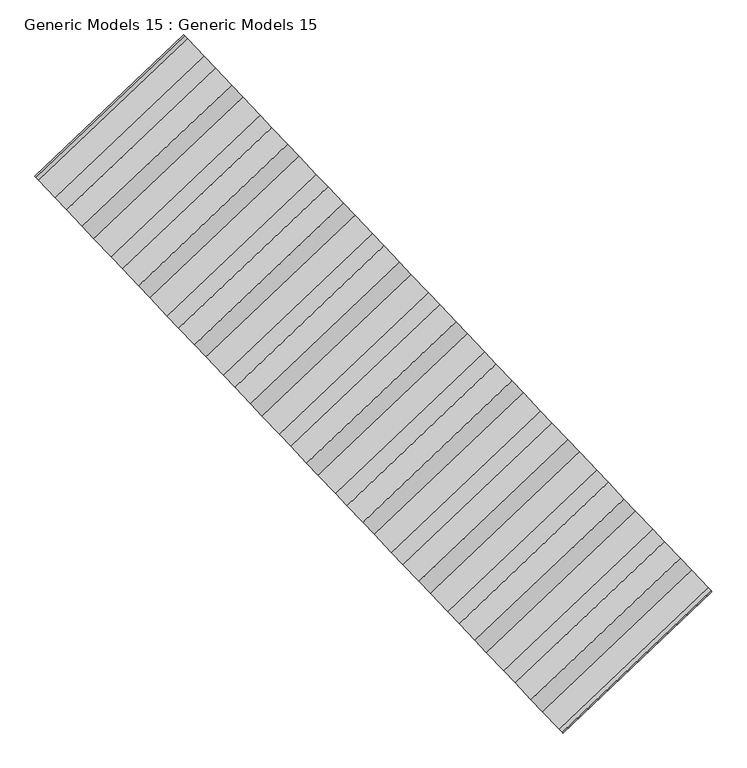
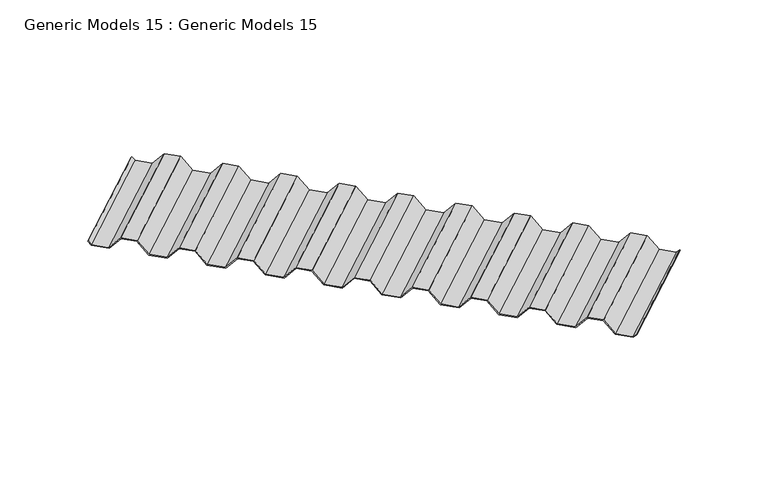
"""IFC4 building model written with IfcOpenShell, lengths in millimetres: proxy geometry, Generic Models 15 : Generic Models 15."""

from ifc_helpers import new_model, si_unit, frame, origin, place, context, project, spatial, polyline, outline, extrude, source, transform, mapped, element, save


def generic_models_15_generic_models_15_36899d16(model_context):
    return source(origin(), model_context, "Body", "SweptSolid", [
        extrude(outline(polyline([(1235.0766338, 4.7625), (1329.1360088, 4.7625), (1391.6438213, 76.2), (1477.3688213, 76.2), (1539.8766338, 4.7625), (1633.9360088, 4.7625), (1696.4438213, 76.2), (1782.1688213, 76.2), (1844.6766338, 4.7625), (1938.7360088, 4.7625), (2001.2438214, 76.2), (2086.9688213, 76.2), (2149.4766338, 4.7625), (2243.5360089, 4.7625), (2306.0438213, 76.2), (2391.7688213, 76.2), (2454.2766339, 4.7625), (2548.3360088, 4.7625), (2610.8438213, 76.2), (2696.5688213, 76.2), (2759.0766339, 4.7625), (2848.9688213, 4.7625), (2865.6375714, 23.8125), (2869.0126426, 20.4374287), (2851.1298925, 0.0), (2756.9155626, 0.0), (2694.4077501, 71.4375), (2613.0048925, 71.4375), (2550.49708, 0.0), (2452.1155626, 0.0), (2389.6077502, 71.4375), (2308.2048925, 71.4375), (2245.69708, 0.0), (2147.3155626, 0.0), (2084.8077501, 71.4375), (2003.4048925, 71.4375), (1940.8970799, 0.0), (1842.5155627, 0.0), (1780.0077502, 71.4375), (1698.6048925, 71.4375), (1636.0970801, 0.0), (1537.7155626, 0.0), (1475.2077502, 71.4375), (1393.8048924, 71.4375), (1331.29708, 0.0), (1232.9155627, 0.0), (1170.4077501, 71.4375), (1089.0048925, 71.4375), (1026.49708, 0.0), (928.1155626, 0.0), (865.6077501, 71.4375), (784.2048925, 71.4375), (721.69708, 0.0), (623.3155626, 0.0), (560.8077501, 71.4375), (479.4048925, 71.4375), (416.89708, 0.0), (318.5155626, 0.0), (256.0077502, 71.4375), (174.6048925, 71.4375), (112.09708, 0.0), (17.8827502, 0.0), (0.0, 20.4374287), (3.3750714, 23.8125), (20.0438213, 4.7625), (109.9360089, 4.7625), (172.4438213, 76.2), (258.1688213, 76.2), (320.6766338, 4.7625), (414.7360088, 4.7625), (477.2438213, 76.2), (562.9688213, 76.2), (625.4766339, 4.7625), (719.5360088, 4.7625), (782.0438213, 76.2), (867.7688214, 76.2), (930.2766338, 4.7625), (1024.3360088, 4.7625), (1086.8438213, 76.2), (1172.5688213, 76.2), (1235.0766338, 4.7625)])), frame((111130.4507911, 56302.6962299, 17094.2), z_axis=(0.7253743710122913, 0.6883545756937504, 0.0), x_axis=(-0.6883545756937504, 0.7253743710122913, 0.0)), (0.0, 0.0, 1.0), 768.35),
    ])


if __name__ == "__main__":
    model = new_model("IFC4")
    model_context = context("Model", 3, world=origin())
    ifc_project = project(units=[si_unit("LENGTHUNIT", "METRE", prefix="MILLI")], contexts=[model_context])
    site = spatial("IfcSite", under=ifc_project)
    building = spatial("IfcBuilding", under=site)
    placement = place(None, origin())
    generic_models_15_generic_models_15_shape = generic_models_15_generic_models_15_36899d16(model_context)
    element("IfcBuildingElementProxy", 1, Name="Generic Models 15 : Generic Models 15", ObjectType="Generic Models 15 : Generic Models 15", at=placement, inside=building, context=model_context, shape_type="MappedRepresentation", body=[
        mapped(generic_models_15_generic_models_15_shape, transform((0.0, 0.0, 0.0), x_axis=(1.0, 0.0, 0.0), y_axis=(0.0, 1.0, 0.0), z_axis=(0.0, 0.0, 1.0))),
    ])
    save(model, "model.ifc")
